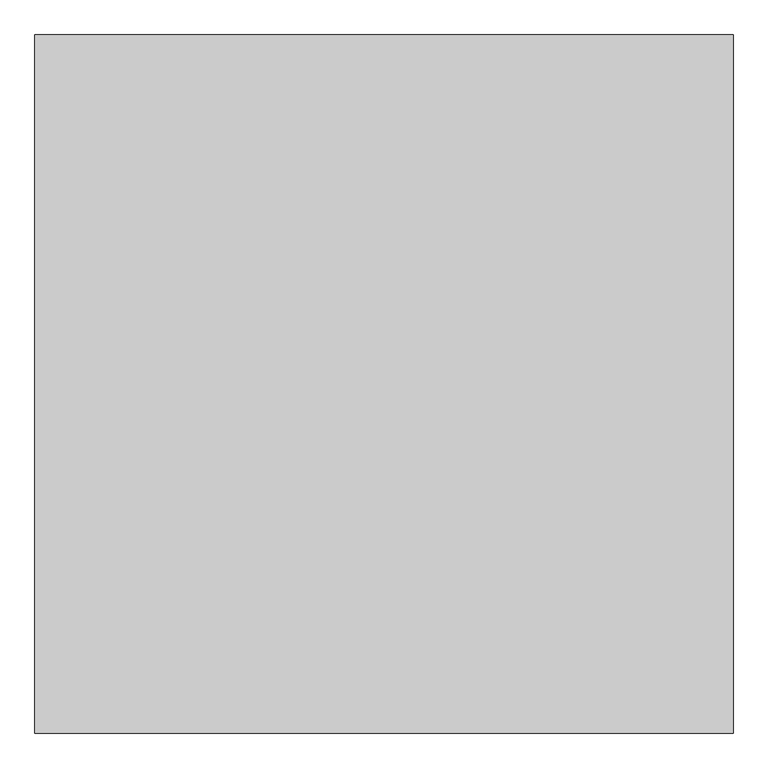
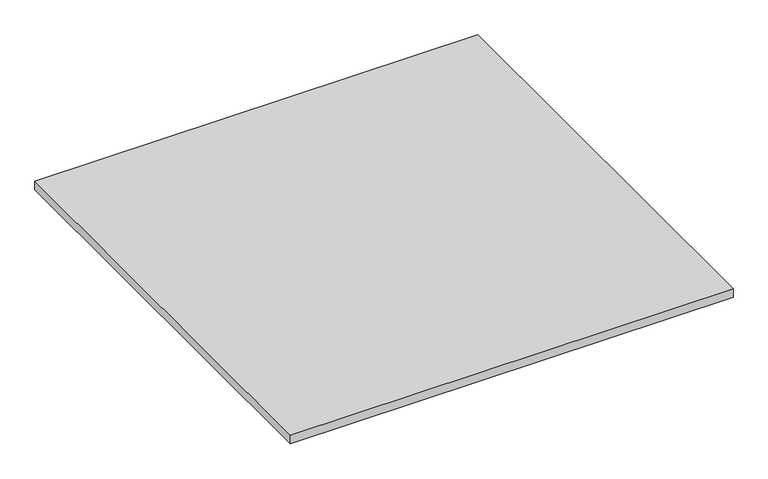
"""IFC4 building model written with IfcOpenShell, lengths in millimetres: proxy geometry."""

import ifcopenshell
import ifcopenshell.guid

model = None  # the IFC model being written
_history = None  # IfcOwnerHistory: only IFC2X3 demands one
_inside = {}  # id of a spatial element -> (the spatial element, [elements in it])
_under = {}  # id of a project, library or spatial element -> (it, [spatial elements below it])
_declared = {}  # id of a project -> (the project, [libraries it declares])
_typed = {}  # id of a type object -> (the type object, [elements of that type])
_made_of = {}  # id of a material, layer set ... -> (it, [elements and type objects made of it])


def new_model(schema):
    """Start an empty IFC model of exactly this schema.

    Asked for "IFC4X3", IfcOpenShell would pick the latest addendum, in which some entities
    have other attributes; the version numbers below select the first issue.
    IFC2X3 requires an IfcOwnerHistory on every rooted entity: one is made here for all.
    """
    global model, _history
    if schema == "IFC4X3":
        model = ifcopenshell.file(schema_version=(4, 3, 0, 0))
    else:
        model = ifcopenshell.file(schema=schema)
    _inside.clear()
    _under.clear()
    _declared.clear()
    _typed.clear()
    _made_of.clear()
    _history = None
    if model.schema == "IFC2X3":
        org = make("IfcOrganization", Name="unknown")
        user = make(
            "IfcPersonAndOrganization",
            ThePerson=make("IfcPerson", FamilyName="unknown"),
            TheOrganization=org,
        )
        app = make(
            "IfcApplication",
            ApplicationDeveloper=org,
            Version="unknown",
            ApplicationFullName="unknown",
            ApplicationIdentifier="unknown",
        )
        _history = make(
            "IfcOwnerHistory",
            OwningUser=user,
            OwningApplication=app,
            ChangeAction="ADDED",
            CreationDate=0,
        )
    return model


def make(cls, **values):
    """One entity of the class cls with the attributes given. An attribute that is None is left unset."""
    return model.create_entity(
        cls, **{name: value for name, value in values.items() if value is not None}
    )


def rooted(cls, **values):
    """An entity with a GlobalId (a new one), such as an element, a storey or a relation."""
    return make(cls, GlobalId=ifcopenshell.guid.new(), OwnerHistory=_history, **values)


def si_unit(unit_type, name, prefix=None):
    """IfcSIUnit, for example si_unit("LENGTHUNIT", "METRE", prefix="MILLI")."""
    return make("IfcSIUnit", UnitType=unit_type, Prefix=prefix, Name=name)


def assignment(units):
    """IfcUnitAssignment: the units of a project."""
    return None if units is None else make("IfcUnitAssignment", Units=units)


def point(xyz):
    """IfcCartesianPoint."""
    return None if xyz is None else make("IfcCartesianPoint", Coordinates=xyz)


def direction(xyz):
    """IfcDirection."""
    return None if xyz is None else make("IfcDirection", DirectionRatios=xyz)


def frame(location, z_axis=None, x_axis=None):
    """IfcAxis2Placement3D, a coordinate frame: its origin and axes. An axis left out is left unset."""
    return make(
        "IfcAxis2Placement3D",
        Location=point(location),
        Axis=direction(z_axis),
        RefDirection=direction(x_axis),
    )


def origin():
    """The frame at (0, 0, 0) with its axes left unset."""
    return frame((0.0, 0.0, 0.0))


def origin_with_axes():
    """The frame at (0, 0, 0) with the z axis (0, 0, 1) and the x axis (1, 0, 0) written out."""
    return frame((0.0, 0.0, 0.0), z_axis=(0.0, 0.0, 1.0), x_axis=(1.0, 0.0, 0.0))


def place(relative_to, where):
    """IfcLocalPlacement: puts the frame where relative to a parent placement (None: the world)."""
    return make(
        "IfcLocalPlacement", PlacementRelTo=relative_to, RelativePlacement=where
    )


def context(
    kind, dimensions, precision=None, world=None, true_north=None, identifier=None
):
    """IfcGeometricRepresentationContext, for example the 3D "Model" context."""
    return make(
        "IfcGeometricRepresentationContext",
        ContextIdentifier=identifier,
        ContextType=kind,
        CoordinateSpaceDimension=dimensions,
        Precision=precision,
        WorldCoordinateSystem=world,
        TrueNorth=true_north,
    )


def project(units=None, contexts=None):
    """IfcProject with its units and contexts."""
    return rooted(
        "IfcProject",
        Name="project",
        RepresentationContexts=contexts,
        UnitsInContext=assignment(units),
    )


def spatial(cls, under=None, at=None, **own):
    """A site, building, storey or space (cls), placed at a placement, below another one or the project."""
    s = rooted(cls, ObjectPlacement=at, **own)
    if under is not None:
        _under.setdefault(under.id(), (under, []))[1].append(s)
    return s


def polyline(points):
    """IfcPolyline through the points."""
    return make("IfcPolyline", Points=[point(p) for p in points])


def outline(outer, holes=None, kind="AREA"):
    """IfcArbitraryClosedProfileDef: a profile drawn as a closed curve; with holes, ...WithVoids."""
    if holes is None:
        return make("IfcArbitraryClosedProfileDef", ProfileType=kind, OuterCurve=outer)
    return make(
        "IfcArbitraryProfileDefWithVoids",
        ProfileType=kind,
        OuterCurve=outer,
        InnerCurves=holes,
    )


def extrude(swept, where, along, depth):
    """IfcExtrudedAreaSolid: the profile swept, set in the frame where, extruded along a direction by depth."""
    return make(
        "IfcExtrudedAreaSolid",
        SweptArea=swept,
        Position=where,
        ExtrudedDirection=direction(along),
        Depth=depth,
    )


def shape(context_of_items, identifier, shape_type, items):
    """IfcShapeRepresentation: the items that make up one representation, for example the "Body"."""
    return make(
        "IfcShapeRepresentation",
        ContextOfItems=context_of_items,
        RepresentationIdentifier=identifier,
        RepresentationType=shape_type,
        Items=items,
    )


def source(mapping_origin, context_of_items, identifier, shape_type, items):
    """IfcRepresentationMap: a shape defined once, which mapped items show again and again."""
    return make(
        "IfcRepresentationMap",
        MappingOrigin=mapping_origin,
        MappedRepresentation=shape(context_of_items, identifier, shape_type, items),
    )


def transform(
    local_origin,
    x_axis=None,
    y_axis=None,
    z_axis=None,
    scale=None,
    scale2=None,
    scale3=None,
    uniform=True,
):
    """IfcCartesianTransformationOperator3D, or its non-uniform kind. x_axis, y_axis, z_axis: its Axis1, 2, 3."""
    if uniform:
        return make(
            "IfcCartesianTransformationOperator3D",
            Axis1=direction(x_axis),
            Axis2=direction(y_axis),
            LocalOrigin=point(local_origin),
            Scale=scale,
            Axis3=direction(z_axis),
        )
    return make(
        "IfcCartesianTransformationOperator3DnonUniform",
        Axis1=direction(x_axis),
        Axis2=direction(y_axis),
        LocalOrigin=point(local_origin),
        Scale=scale,
        Axis3=direction(z_axis),
        Scale2=scale2,
        Scale3=scale3,
    )


def mapped(mapping_source, mapping_target):
    """IfcMappedItem: shows the shape of a source again, moved by a transform."""
    return make(
        "IfcMappedItem", MappingSource=mapping_source, MappingTarget=mapping_target
    )


def made_of(thing, what):
    """Note that an element or type object is made of a material, layer set ...; save() writes the relation."""
    if what is not None:
        _made_of.setdefault(what.id(), (what, []))[1].append(thing)
    return thing


def element(
    cls,
    number,
    at=None,
    inside=None,
    cuts=None,
    type_object=None,
    material=None,
    context=None,
    identifier="Body",
    shape_type=None,
    held_by="IfcProductDefinitionShape",
    body=None,
    shapes=None,
    **own,
):
    """One element of the class cls, such as IfcWall. Its Tag is "e" and its number.

    at: its placement. inside: the storey or other place that contains it. cuts: it is an
    opening in that element (IfcRelVoidsElement). A single representation is given by context,
    identifier, shape_type and body (its items); several are given by shapes. held_by: the class
    of the entity that holds the representations. save() writes the other relations.
    """
    e = rooted(cls, Tag="e%d" % number, ObjectPlacement=at, **own)
    if body is not None:
        shapes = [shape(context, identifier, shape_type, body)]
    if shapes is not None:
        e.Representation = make(held_by, Representations=shapes)
    if inside is not None:
        _inside.setdefault(inside.id(), (inside, []))[1].append(e)
    if cuts is not None:
        rooted(
            "IfcRelVoidsElement", RelatingBuildingElement=cuts, RelatedOpeningElement=e
        )
    if type_object is not None:
        _typed.setdefault(type_object.id(), (type_object, []))[1].append(e)
    return made_of(e, material)


def aggregate(whole, parts):
    """IfcRelAggregates: a whole, such as a stair, and the parts it consists of."""
    return rooted("IfcRelAggregates", RelatingObject=whole, RelatedObjects=parts)


def save(model, path):
    """Write the relations noted so far, then the file.

    IfcRelAggregates (storeys below a building ...), IfcRelContainedInSpatialStructure (elements
    in a storey), IfcRelDefinesByType, IfcRelAssociatesMaterial and IfcRelDeclares: one each for
    every whole, place, type object, material and project.
    """
    for whole, parts in _under.values():
        aggregate(whole, parts)
    for where, things in _inside.values():
        rooted(
            "IfcRelContainedInSpatialStructure",
            RelatedElements=things,
            RelatingStructure=where,
        )
    for kind, things in _typed.values():
        rooted("IfcRelDefinesByType", RelatedObjects=things, RelatingType=kind)
    for what, things in _made_of.values():
        rooted("IfcRelAssociatesMaterial", RelatedObjects=things, RelatingMaterial=what)
    for by, libraries in _declared.values():
        rooted("IfcRelDeclares", RelatingContext=by, RelatedDefinitions=libraries)
    model.write(path)


def generic_models_515c3be2(model_context):
    return source(origin(), model_context, "Body", "SweptSolid", [
        extrude(outline(polyline([(-5784.8983566, -652.8374841), (-5784.8983566, -1652.8374841), (-6784.8983566, -1652.8374841), (-6784.8983566, -652.8374841), (-5784.8983566, -652.8374841)])), origin_with_axes(), (0.0, 0.0, 1.0), 20.0),
    ])


if __name__ == "__main__":
    model = new_model("IFC4")
    model_context = context("Model", 3, world=origin())
    ifc_project = project(units=[si_unit("LENGTHUNIT", "METRE", prefix="MILLI")], contexts=[model_context])
    site = spatial("IfcSite", under=ifc_project)
    building = spatial("IfcBuilding", under=site)
    placement = place(None, origin())
    generic_models_shape = generic_models_515c3be2(model_context)
    element("IfcBuildingElementProxy", 1, Name="Generic Models", at=placement, inside=building, context=model_context, shape_type="MappedRepresentation", body=[
        mapped(generic_models_shape, transform((0.0, 0.0, 0.0), x_axis=(1.0, 0.0, 0.0), y_axis=(0.0, 1.0, 0.0), z_axis=(0.0, 0.0, 1.0))),
    ])
    save(model, "model.ifc")
